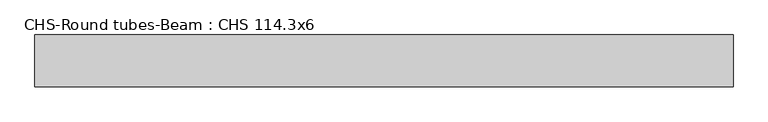
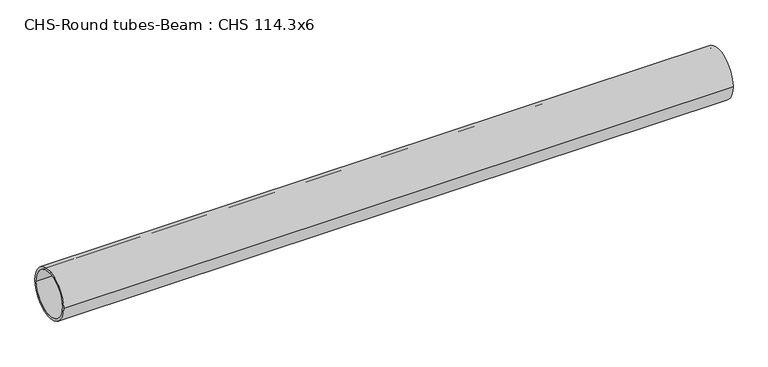
"""IFC4 building model written with IfcOpenShell, lengths in millimetres: beam geometry, CHS-Round tubes-Beam : CHS 114.3x6."""

from ifc_helpers import new_model, si_unit, point, frame, origin, origin_2d, place, context, project, spatial, circle_curve, trimmed, segment, composite_curve, outline, extrude, source, transform, mapped, element, save


def chs_round_tubes_beam_chs_114_3x6_b8259adf(model_context):
    return source(origin(), model_context, "Body", "SweptSolid", [
        extrude(outline(composite_curve([segment(trimmed(circle_curve(origin_2d(), 57.15), [point((57.15, 0.0))], [point((-57.15, 0.0))], False, "CARTESIAN"), True, "CONTINUOUS"), segment(trimmed(circle_curve(origin_2d(), 57.15), [point((-57.15, 0.0))], [point((57.15, 0.0))], False, "CARTESIAN"), True, "CONTINUOUS")], self_intersect=False), holes=[composite_curve([segment(trimmed(circle_curve(origin_2d(), 51.15), [point((51.15, 0.0))], [point((-51.15, 0.0))], True, "CARTESIAN"), True, "CONTINUOUS"), segment(trimmed(circle_curve(origin_2d(), 51.15), [point((-51.15, 0.0))], [point((51.15, 0.0))], True, "CARTESIAN"), True, "CONTINUOUS")], self_intersect=False)]), frame((-759.9693093, 0.0, 0.0), z_axis=(1.0, 0.0, 0.0), x_axis=(0.0, 1.0, 0.0)), (0.0, 0.0, 1.0), 1537.2477511),
    ])


if __name__ == "__main__":
    model = new_model("IFC4")
    model_context = context("Model", 3, world=origin())
    ifc_project = project(units=[si_unit("LENGTHUNIT", "METRE", prefix="MILLI")], contexts=[model_context])
    site = spatial("IfcSite", under=ifc_project)
    building = spatial("IfcBuilding", under=site)
    placement = place(None, origin())
    chs_round_tubes_beam_chs_114_3x6_shape = chs_round_tubes_beam_chs_114_3x6_b8259adf(model_context)
    element("IfcBeam", 1, ObjectType="CHS-Round tubes-Beam : CHS 114.3x6", at=placement, inside=building, context=model_context, shape_type="MappedRepresentation", body=[
        mapped(chs_round_tubes_beam_chs_114_3x6_shape, transform((0.0, 0.0, 0.0), x_axis=(1.0, 0.0, 0.0), y_axis=(0.0, 1.0, 0.0), z_axis=(0.0, 0.0, 1.0))),
    ])
    save(model, "model.ifc")
